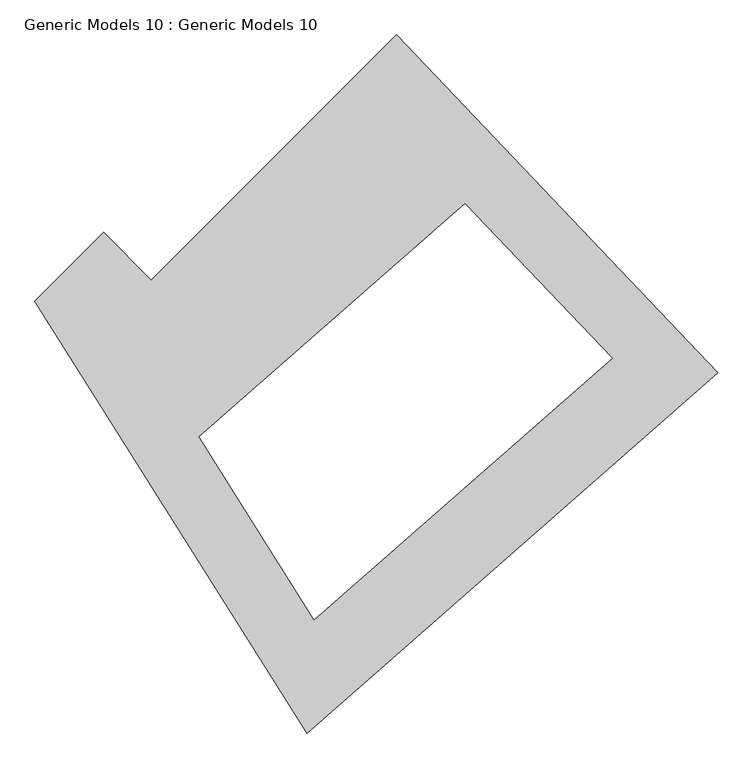
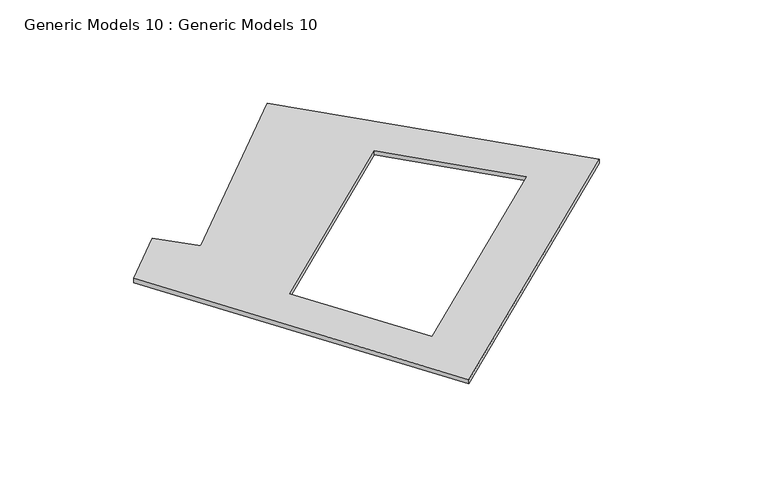
"""IFC4 building model written with IfcOpenShell, lengths in millimetres: proxy geometry, Generic Models 10 : Generic Models 10."""

from ifc_helpers import new_model, si_unit, frame, origin, place, context, project, spatial, polyline, outline, extrude, source, transform, mapped, element, save


def generic_models_10_generic_models_10_3cf700f3(model_context):
    return source(origin(), model_context, "Body", "SweptSolid", [
        extrude(outline(polyline([(-195274.2744774, 16651.6033295), (-175956.6710611, -3646.4395876), (-200653.1127632, -25293.9650069), (-217012.657881, 658.0838743), (-212881.2024081, 4789.5393472), (-210008.7704339, 1917.107373), (-195274.2744774, 16651.6033295)]), holes=[polyline([(-191154.7287902, 6520.792079), (-207144.6668667, -7495.0971384), (-200217.5776368, -18483.9209109), (-182302.5821605, -2780.6335857), (-191154.7287902, 6520.792079)])]), frame((0.0, 0.0, 16680.0), z_axis=(0.0, 0.0, 1.0), x_axis=(1.0, 0.0, 0.0)), (0.0, 0.0, 1.0), 400.0),
    ])


if __name__ == "__main__":
    model = new_model("IFC4")
    model_context = context("Model", 3, world=origin())
    ifc_project = project(units=[si_unit("LENGTHUNIT", "METRE", prefix="MILLI")], contexts=[model_context])
    site = spatial("IfcSite", under=ifc_project)
    building = spatial("IfcBuilding", under=site)
    placement = place(None, origin())
    generic_models_10_generic_models_10_shape = generic_models_10_generic_models_10_3cf700f3(model_context)
    element("IfcBuildingElementProxy", 1, Name="Generic Models 10 : Generic Models 10", ObjectType="Generic Models 10 : Generic Models 10", at=placement, inside=building, context=model_context, shape_type="MappedRepresentation", body=[
        mapped(generic_models_10_generic_models_10_shape, transform((0.0, 0.0, 0.0), x_axis=(1.0, 0.0, 0.0), y_axis=(0.0, 1.0, 0.0), z_axis=(0.0, 0.0, 1.0))),
    ])
    save(model, "model.ifc")
